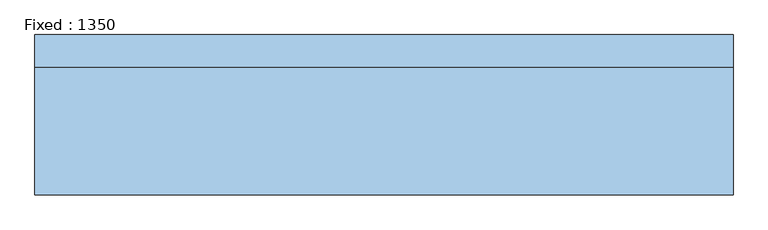
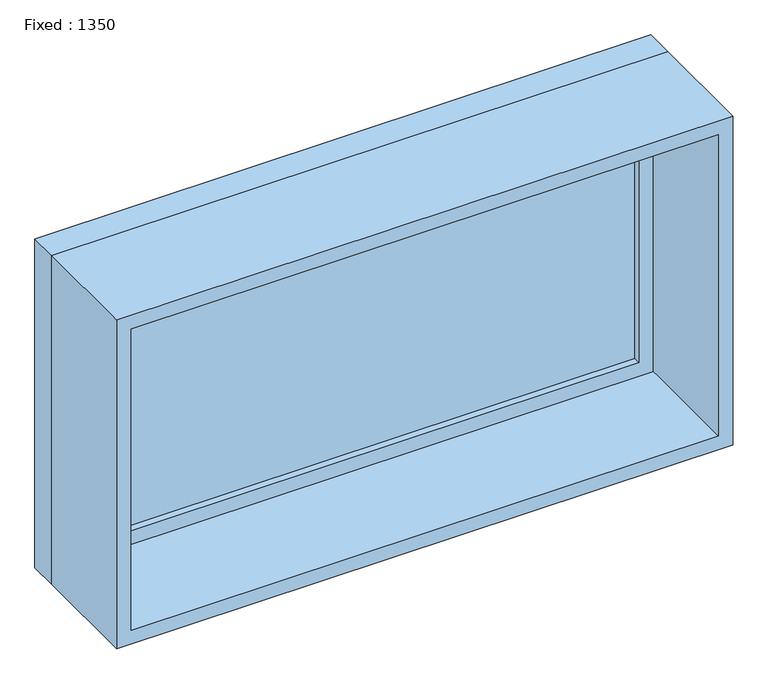
"""IFC4 building model written with IfcOpenShell, lengths in millimetres: window geometry, Fixed : 1350."""

from ifc_helpers import new_model, si_unit, frame, origin, place, context, project, spatial, polyline, outline, extrude, source, transform, mapped, element, save


def fixed_1350_6fb3aa95(model_context):
    return source(origin(), model_context, "Body", "SweptSolid", [
        extrude(outline(polyline([(573.4, 107.35), (-649.6, 107.35), (-649.6, 120.05), (573.4, 120.05), (573.4, 107.35)])), frame((0.0, 0.0, 1130.3), z_axis=(0.0, 0.0, 1.0), x_axis=(1.0, 0.0, 0.0)), (0.0, 0.0, 1.0), 635.0),
        extrude(outline(polyline([(1809.75, -694.05), (1085.85, -694.05), (1085.85, 617.85), (1809.75, 617.85), (1809.75, -694.05)]), holes=[polyline([(1765.3, -649.6), (1765.3, 573.4), (1130.3, 573.4), (1130.3, -649.6), (1765.3, -649.6)])]), frame((0.0, 91.475, 0.0), z_axis=(0.0, 1.0, 0.0), x_axis=(0.0, 0.0, 1.0)), (0.0, 0.0, 1.0), 44.45),
        extrude(outline(polyline([(1828.8, -713.1), (1066.8, -713.1), (1066.8, 636.9), (1828.8, 636.9), (1828.8, -713.1)]), holes=[polyline([(1797.05, -681.35), (1797.05, 605.15), (1098.55, 605.15), (1098.55, -681.35), (1797.05, -681.35)])]), frame((0.0, -154.975, 0.0), z_axis=(0.0, 1.0, 0.0), x_axis=(0.0, 0.0, 1.0)), (0.0, 0.0, 1.0), 246.45),
        extrude(outline(polyline([(1828.8, 636.9), (1828.8, -713.1), (1066.8, -713.1), (1066.8, 636.9), (1828.8, 636.9)]), holes=[polyline([(1809.75, 617.85), (1085.85, 617.85), (1085.85, -694.05), (1809.75, -694.05), (1809.75, 617.85)])]), frame((0.0, 91.475, 0.0), z_axis=(0.0, 1.0, 0.0), x_axis=(0.0, 0.0, 1.0)), (0.0, 0.0, 1.0), 63.5),
    ])


if __name__ == "__main__":
    model = new_model("IFC4")
    model_context = context("Model", 3, world=origin())
    ifc_project = project(units=[si_unit("LENGTHUNIT", "METRE", prefix="MILLI")], contexts=[model_context])
    site = spatial("IfcSite", under=ifc_project)
    building = spatial("IfcBuilding", under=site)
    placement = place(None, origin())
    fixed_1350_shape = fixed_1350_6fb3aa95(model_context)
    element("IfcWindow", 1, ObjectType="Fixed : 1350", at=placement, inside=building, context=model_context, shape_type="MappedRepresentation", body=[
        mapped(fixed_1350_shape, transform((0.0, 0.0, 0.0), x_axis=(1.0, 0.0, 0.0), y_axis=(0.0, 1.0, 0.0), z_axis=(0.0, 0.0, 1.0))),
    ])
    save(model, "model.ifc")
